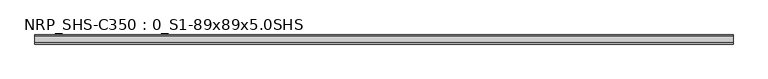
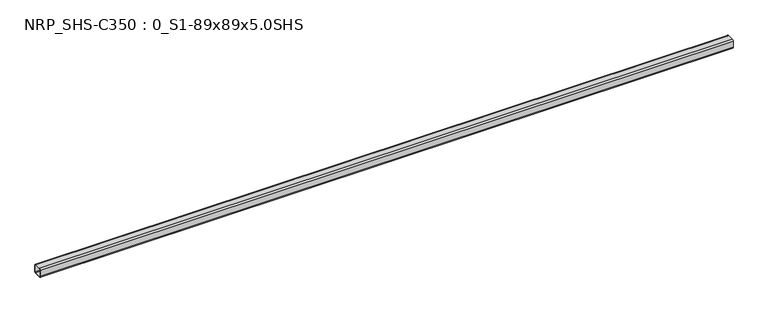
"""IFC4 building model written with IfcOpenShell, lengths in millimetres: beam geometry, NRP_SHS-C350 : 0_S1-89x89x5.0SHS."""

from ifc_helpers import new_model, si_unit, point, frame, frame_2d, origin, place, context, project, spatial, polyline, circle_curve, trimmed, segment, composite_curve, outline, extrude, source, transform, mapped, element, save


def nrp_shs_c350_0_s1_89x89x5_0shs_353f6f61(model_context):
    return source(origin(), model_context, "Body", "SweptSolid", [
        extrude(outline(composite_curve([segment(trimmed(circle_curve(frame_2d((-32.0, 32.0)), 12.5), [point((-44.5, 32.0))], [point((-32.0, 44.5))], False, "CARTESIAN"), True, "CONTINUOUS"), segment(polyline([(-32.0, 44.5), (32.0, 44.5)]), True, "CONTINUOUS"), segment(trimmed(circle_curve(frame_2d((32.0, 32.0)), 12.5), [point((32.0, 44.5))], [point((44.5, 32.0))], False, "CARTESIAN"), True, "CONTINUOUS"), segment(polyline([(44.5, 32.0), (44.5, -32.0)]), True, "CONTINUOUS"), segment(trimmed(circle_curve(frame_2d((32.0, -32.0)), 12.5), [point((44.5, -32.0))], [point((32.0, -44.5))], False, "CARTESIAN"), True, "CONTINUOUS"), segment(polyline([(32.0, -44.5), (-32.0, -44.5)]), True, "CONTINUOUS"), segment(trimmed(circle_curve(frame_2d((-32.0, -32.0)), 12.5), [point((-32.0, -44.5))], [point((-44.5, -32.0))], False, "CARTESIAN"), True, "CONTINUOUS"), segment(polyline([(-44.5, -32.0), (-44.5, 32.0)]), True, "CONTINUOUS")], self_intersect=False), holes=[composite_curve([segment(polyline([(32.0, 39.5), (-32.0, 39.5)]), True, "CONTINUOUS"), segment(trimmed(circle_curve(frame_2d((-32.0, 32.0)), 7.5), [point((-32.0, 39.5))], [point((-39.5, 32.0))], True, "CARTESIAN"), True, "CONTINUOUS"), segment(polyline([(-39.5, 32.0), (-39.5, -32.0)]), True, "CONTINUOUS"), segment(trimmed(circle_curve(frame_2d((-32.0, -32.0)), 7.5), [point((-39.5, -32.0))], [point((-32.0, -39.5))], True, "CARTESIAN"), True, "CONTINUOUS"), segment(polyline([(-32.0, -39.5), (32.0, -39.5)]), True, "CONTINUOUS"), segment(trimmed(circle_curve(frame_2d((32.0, -32.0)), 7.5), [point((32.0, -39.5))], [point((39.5, -32.0))], True, "CARTESIAN"), True, "CONTINUOUS"), segment(polyline([(39.5, -32.0), (39.5, 32.0)]), True, "CONTINUOUS"), segment(trimmed(circle_curve(frame_2d((32.0, 32.0)), 7.5), [point((39.5, 32.0))], [point((32.0, 39.5))], True, "CARTESIAN"), True, "CONTINUOUS")], self_intersect=False)]), frame((-3364.5, 0.0, 0.0), z_axis=(1.0, 0.0, 0.0), x_axis=(0.0, 1.0, 0.0)), (0.0, 0.0, 1.0), 6793.0),
    ])


if __name__ == "__main__":
    model = new_model("IFC4")
    model_context = context("Model", 3, world=origin())
    ifc_project = project(units=[si_unit("LENGTHUNIT", "METRE", prefix="MILLI")], contexts=[model_context])
    site = spatial("IfcSite", under=ifc_project)
    building = spatial("IfcBuilding", under=site)
    placement = place(None, origin())
    nrp_shs_c350_0_s1_89x89x5_0shs_shape = nrp_shs_c350_0_s1_89x89x5_0shs_353f6f61(model_context)
    element("IfcBeam", 1, ObjectType="NRP_SHS-C350 : 0_S1-89x89x5.0SHS", at=placement, inside=building, context=model_context, shape_type="MappedRepresentation", body=[
        mapped(nrp_shs_c350_0_s1_89x89x5_0shs_shape, transform((0.0, 0.0, 0.0), x_axis=(1.0, 0.0, 0.0), y_axis=(0.0, 1.0, 0.0), z_axis=(0.0, 0.0, 1.0))),
    ])
    save(model, "model.ifc")
